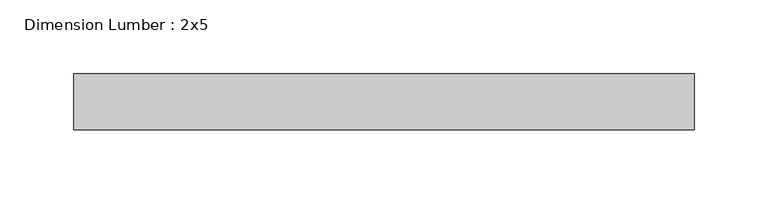
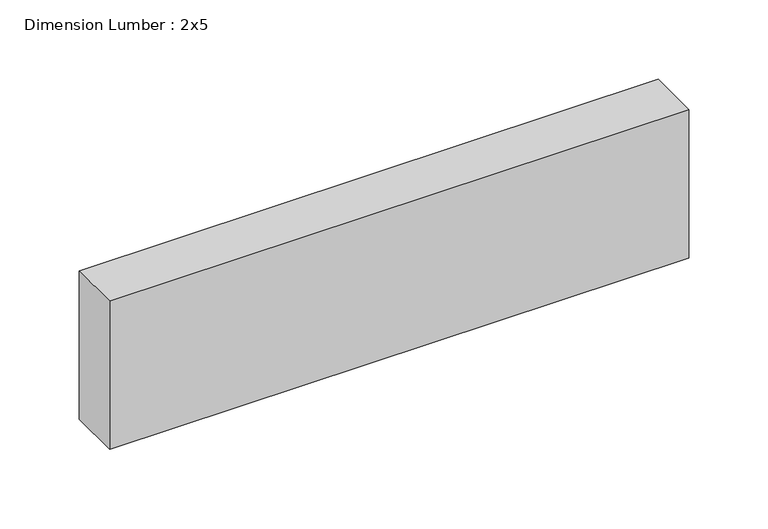
"""IFC4 building model written with IfcOpenShell, lengths in millimetres: beam geometry, Dimension Lumber : 2x5."""

import ifcopenshell
import ifcopenshell.guid

model = None  # the IFC model being written
_history = None  # IfcOwnerHistory: only IFC2X3 demands one
_inside = {}  # id of a spatial element -> (the spatial element, [elements in it])
_under = {}  # id of a project, library or spatial element -> (it, [spatial elements below it])
_declared = {}  # id of a project -> (the project, [libraries it declares])
_typed = {}  # id of a type object -> (the type object, [elements of that type])
_made_of = {}  # id of a material, layer set ... -> (it, [elements and type objects made of it])


def new_model(schema):
    """Start an empty IFC model of exactly this schema.

    Asked for "IFC4X3", IfcOpenShell would pick the latest addendum, in which some entities
    have other attributes; the version numbers below select the first issue.
    IFC2X3 requires an IfcOwnerHistory on every rooted entity: one is made here for all.
    """
    global model, _history
    if schema == "IFC4X3":
        model = ifcopenshell.file(schema_version=(4, 3, 0, 0))
    else:
        model = ifcopenshell.file(schema=schema)
    _inside.clear()
    _under.clear()
    _declared.clear()
    _typed.clear()
    _made_of.clear()
    _history = None
    if model.schema == "IFC2X3":
        org = make("IfcOrganization", Name="unknown")
        user = make(
            "IfcPersonAndOrganization",
            ThePerson=make("IfcPerson", FamilyName="unknown"),
            TheOrganization=org,
        )
        app = make(
            "IfcApplication",
            ApplicationDeveloper=org,
            Version="unknown",
            ApplicationFullName="unknown",
            ApplicationIdentifier="unknown",
        )
        _history = make(
            "IfcOwnerHistory",
            OwningUser=user,
            OwningApplication=app,
            ChangeAction="ADDED",
            CreationDate=0,
        )
    return model


def make(cls, **values):
    """One entity of the class cls with the attributes given. An attribute that is None is left unset."""
    return model.create_entity(
        cls, **{name: value for name, value in values.items() if value is not None}
    )


def rooted(cls, **values):
    """An entity with a GlobalId (a new one), such as an element, a storey or a relation."""
    return make(cls, GlobalId=ifcopenshell.guid.new(), OwnerHistory=_history, **values)


def si_unit(unit_type, name, prefix=None):
    """IfcSIUnit, for example si_unit("LENGTHUNIT", "METRE", prefix="MILLI")."""
    return make("IfcSIUnit", UnitType=unit_type, Prefix=prefix, Name=name)


def assignment(units):
    """IfcUnitAssignment: the units of a project."""
    return None if units is None else make("IfcUnitAssignment", Units=units)


def point(xyz):
    """IfcCartesianPoint."""
    return None if xyz is None else make("IfcCartesianPoint", Coordinates=xyz)


def direction(xyz):
    """IfcDirection."""
    return None if xyz is None else make("IfcDirection", DirectionRatios=xyz)


def frame(location, z_axis=None, x_axis=None):
    """IfcAxis2Placement3D, a coordinate frame: its origin and axes. An axis left out is left unset."""
    return make(
        "IfcAxis2Placement3D",
        Location=point(location),
        Axis=direction(z_axis),
        RefDirection=direction(x_axis),
    )


def origin():
    """The frame at (0, 0, 0) with its axes left unset."""
    return frame((0.0, 0.0, 0.0))


def place(relative_to, where):
    """IfcLocalPlacement: puts the frame where relative to a parent placement (None: the world)."""
    return make(
        "IfcLocalPlacement", PlacementRelTo=relative_to, RelativePlacement=where
    )


def context(
    kind, dimensions, precision=None, world=None, true_north=None, identifier=None
):
    """IfcGeometricRepresentationContext, for example the 3D "Model" context."""
    return make(
        "IfcGeometricRepresentationContext",
        ContextIdentifier=identifier,
        ContextType=kind,
        CoordinateSpaceDimension=dimensions,
        Precision=precision,
        WorldCoordinateSystem=world,
        TrueNorth=true_north,
    )


def project(units=None, contexts=None):
    """IfcProject with its units and contexts."""
    return rooted(
        "IfcProject",
        Name="project",
        RepresentationContexts=contexts,
        UnitsInContext=assignment(units),
    )


def spatial(cls, under=None, at=None, **own):
    """A site, building, storey or space (cls), placed at a placement, below another one or the project."""
    s = rooted(cls, ObjectPlacement=at, **own)
    if under is not None:
        _under.setdefault(under.id(), (under, []))[1].append(s)
    return s


def polyline(points):
    """IfcPolyline through the points."""
    return make("IfcPolyline", Points=[point(p) for p in points])


def outline(outer, holes=None, kind="AREA"):
    """IfcArbitraryClosedProfileDef: a profile drawn as a closed curve; with holes, ...WithVoids."""
    if holes is None:
        return make("IfcArbitraryClosedProfileDef", ProfileType=kind, OuterCurve=outer)
    return make(
        "IfcArbitraryProfileDefWithVoids",
        ProfileType=kind,
        OuterCurve=outer,
        InnerCurves=holes,
    )


def extrude(swept, where, along, depth):
    """IfcExtrudedAreaSolid: the profile swept, set in the frame where, extruded along a direction by depth."""
    return make(
        "IfcExtrudedAreaSolid",
        SweptArea=swept,
        Position=where,
        ExtrudedDirection=direction(along),
        Depth=depth,
    )


def shape(context_of_items, identifier, shape_type, items):
    """IfcShapeRepresentation: the items that make up one representation, for example the "Body"."""
    return make(
        "IfcShapeRepresentation",
        ContextOfItems=context_of_items,
        RepresentationIdentifier=identifier,
        RepresentationType=shape_type,
        Items=items,
    )


def source(mapping_origin, context_of_items, identifier, shape_type, items):
    """IfcRepresentationMap: a shape defined once, which mapped items show again and again."""
    return make(
        "IfcRepresentationMap",
        MappingOrigin=mapping_origin,
        MappedRepresentation=shape(context_of_items, identifier, shape_type, items),
    )


def transform(
    local_origin,
    x_axis=None,
    y_axis=None,
    z_axis=None,
    scale=None,
    scale2=None,
    scale3=None,
    uniform=True,
):
    """IfcCartesianTransformationOperator3D, or its non-uniform kind. x_axis, y_axis, z_axis: its Axis1, 2, 3."""
    if uniform:
        return make(
            "IfcCartesianTransformationOperator3D",
            Axis1=direction(x_axis),
            Axis2=direction(y_axis),
            LocalOrigin=point(local_origin),
            Scale=scale,
            Axis3=direction(z_axis),
        )
    return make(
        "IfcCartesianTransformationOperator3DnonUniform",
        Axis1=direction(x_axis),
        Axis2=direction(y_axis),
        LocalOrigin=point(local_origin),
        Scale=scale,
        Axis3=direction(z_axis),
        Scale2=scale2,
        Scale3=scale3,
    )


def mapped(mapping_source, mapping_target):
    """IfcMappedItem: shows the shape of a source again, moved by a transform."""
    return make(
        "IfcMappedItem", MappingSource=mapping_source, MappingTarget=mapping_target
    )


def made_of(thing, what):
    """Note that an element or type object is made of a material, layer set ...; save() writes the relation."""
    if what is not None:
        _made_of.setdefault(what.id(), (what, []))[1].append(thing)
    return thing


def element(
    cls,
    number,
    at=None,
    inside=None,
    cuts=None,
    type_object=None,
    material=None,
    context=None,
    identifier="Body",
    shape_type=None,
    held_by="IfcProductDefinitionShape",
    body=None,
    shapes=None,
    **own,
):
    """One element of the class cls, such as IfcWall. Its Tag is "e" and its number.

    at: its placement. inside: the storey or other place that contains it. cuts: it is an
    opening in that element (IfcRelVoidsElement). A single representation is given by context,
    identifier, shape_type and body (its items); several are given by shapes. held_by: the class
    of the entity that holds the representations. save() writes the other relations.
    """
    e = rooted(cls, Tag="e%d" % number, ObjectPlacement=at, **own)
    if body is not None:
        shapes = [shape(context, identifier, shape_type, body)]
    if shapes is not None:
        e.Representation = make(held_by, Representations=shapes)
    if inside is not None:
        _inside.setdefault(inside.id(), (inside, []))[1].append(e)
    if cuts is not None:
        rooted(
            "IfcRelVoidsElement", RelatingBuildingElement=cuts, RelatedOpeningElement=e
        )
    if type_object is not None:
        _typed.setdefault(type_object.id(), (type_object, []))[1].append(e)
    return made_of(e, material)


def aggregate(whole, parts):
    """IfcRelAggregates: a whole, such as a stair, and the parts it consists of."""
    return rooted("IfcRelAggregates", RelatingObject=whole, RelatedObjects=parts)


def save(model, path):
    """Write the relations noted so far, then the file.

    IfcRelAggregates (storeys below a building ...), IfcRelContainedInSpatialStructure (elements
    in a storey), IfcRelDefinesByType, IfcRelAssociatesMaterial and IfcRelDeclares: one each for
    every whole, place, type object, material and project.
    """
    for whole, parts in _under.values():
        aggregate(whole, parts)
    for where, things in _inside.values():
        rooted(
            "IfcRelContainedInSpatialStructure",
            RelatedElements=things,
            RelatingStructure=where,
        )
    for kind, things in _typed.values():
        rooted("IfcRelDefinesByType", RelatedObjects=things, RelatingType=kind)
    for what, things in _made_of.values():
        rooted("IfcRelAssociatesMaterial", RelatedObjects=things, RelatingMaterial=what)
    for by, libraries in _declared.values():
        rooted("IfcRelDeclares", RelatingContext=by, RelatedDefinitions=libraries)
    model.write(path)


def dimension_lumber_2x5_06c1a83b(model_context):
    return source(origin(), model_context, "Body", "SweptSolid", [
        extrude(outline(polyline([(207.6961476, 19.05), (207.6961476, -19.05), (-213.0368877, -19.05), (-213.0368877, 19.05), (207.6961476, 19.05)])), frame((0.0, 0.0, -57.15), z_axis=(0.0, 0.0, 1.0), x_axis=(1.0, 0.0, 0.0)), (0.0, 0.0, 1.0), 114.3),
    ])


if __name__ == "__main__":
    model = new_model("IFC4")
    model_context = context("Model", 3, world=origin())
    ifc_project = project(units=[si_unit("LENGTHUNIT", "METRE", prefix="MILLI")], contexts=[model_context])
    site = spatial("IfcSite", under=ifc_project)
    building = spatial("IfcBuilding", under=site)
    placement = place(None, origin())
    dimension_lumber_2x5_shape = dimension_lumber_2x5_06c1a83b(model_context)
    element("IfcBeam", 1, ObjectType="Dimension Lumber : 2x5", at=placement, inside=building, context=model_context, shape_type="MappedRepresentation", body=[
        mapped(dimension_lumber_2x5_shape, transform((0.0, 0.0, 0.0), x_axis=(1.0, 0.0, 0.0), y_axis=(0.0, 1.0, 0.0), z_axis=(0.0, 0.0, 1.0))),
    ])
    save(model, "model.ifc")
